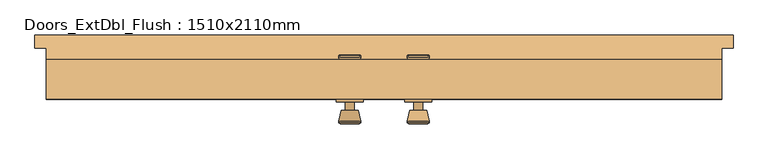
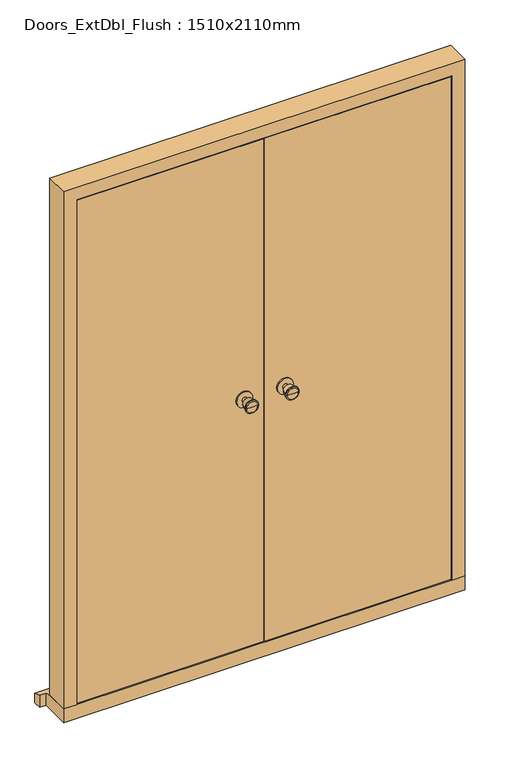
"""IFC4 building model written with IfcOpenShell, lengths in millimetres: door geometry, Doors_ExtDbl_Flush : 1510x2110mm."""

from ifc_helpers import new_model, si_unit, point, frame, frame_2d, origin, place, context, project, spatial, polyline, circle_curve, trimmed, segment, composite_curve, outline, extrude, faceted_brep, source, transform, mapped, element, save
from ifc_brep_helpers import plane_surface, cylinder_surface, revolved_surface, advanced_brep


def doors_extdbl_flush_1510x2110mm_e755490f(model_context):
    return source(origin(), model_context, "Body", "SolidModel", [
        advanced_brep(
        [(-76.5, 25.0, 1050.0), (-66.5, 25.0, 1050.0), (-86.5, 25.0, 1050.0), (-96.9758676, -24.0, 1050.0), (-56.0241324, -24.0, 1050.0), (-76.5, -24.0, 1050.0), (-101.5, -22.1721319, 1050.0), (-51.5, -22.1721319, 1050.0), (-101.5, -18.7084537, 1050.0), (-51.5, -18.7084537, 1050.0), (-95.136236, 6.0, 1050.0), (-57.863764, 6.0, 1050.0), (-86.5, 6.0, 1050.0), (-66.5, 6.0, 1050.0)],
        [
            (0, 1),
            (1, 2, circle_curve(frame((-76.5, 25.0, 1050.0), z_axis=(0.0, 1.0, 0.0), x_axis=(1.0, 0.0, 0.0)), 10.0)),
            (2, 0),
            (2, 1, circle_curve(frame((-76.5, 25.0, 1050.0), z_axis=(0.0, 1.0, 0.0), x_axis=(1.0, 0.0, 0.0)), 10.0)),
            (3, 4, circle_curve(frame((-76.5, -24.0, 1050.0), z_axis=(0.0, -1.0, 0.0), x_axis=(1.0, 0.0, 0.0)), 20.4758676)),
            (4, 5),
            (5, 3),
            (4, 3, circle_curve(frame((-76.5, -24.0, 1050.0), z_axis=(0.0, -1.0, 0.0), x_axis=(1.0, 0.0, 0.0)), 20.4758676)),
            (6, 7, circle_curve(frame((-76.5, -22.1721319, 1050.0), z_axis=(0.0, -1.0, 0.0), x_axis=(1.0, 0.0, 0.0)), 25.0)),
            (7, 4),
            (3, 6),
            (7, 6, circle_curve(frame((-76.5, -22.1721319, 1050.0), z_axis=(0.0, -1.0, 0.0), x_axis=(1.0, 0.0, 0.0)), 25.0)),
            (8, 9, circle_curve(frame((-76.5, -18.7084537, 1050.0), z_axis=(0.0, -1.0, 0.0), x_axis=(1.0, 0.0, 0.0)), 25.0)),
            (9, 7),
            (6, 8),
            (9, 8, circle_curve(frame((-76.5, -18.7084537, 1050.0), z_axis=(0.0, -1.0, 0.0), x_axis=(1.0, 0.0, 0.0)), 25.0)),
            (10, 11, circle_curve(frame((-76.5, 6.0, 1050.0), z_axis=(0.0, -1.0, 0.0), x_axis=(1.0, 0.0, 0.0)), 18.636236)),
            (11, 9),
            (8, 10),
            (11, 10, circle_curve(frame((-76.5, 6.0, 1050.0), z_axis=(0.0, -1.0, 0.0), x_axis=(1.0, 0.0, 0.0)), 18.636236)),
            (12, 13, circle_curve(frame((-76.5, 6.0, 1050.0), z_axis=(0.0, -1.0, 0.0), x_axis=(1.0, 0.0, 0.0)), 10.0)),
            (13, 11),
            (10, 12),
            (13, 12, circle_curve(frame((-76.5, 6.0, 1050.0), z_axis=(0.0, -1.0, 0.0), x_axis=(1.0, 0.0, 0.0)), 10.0)),
            (1, 13),
            (12, 2),
        ],
        [
            plane_surface(frame((-76.5, 25.0, 1050.0), z_axis=(0.0, 1.0, 0.0), x_axis=(1.0, 0.0, 0.0))),
            plane_surface(frame((-76.5, -24.0, 1050.0), z_axis=(0.0, -1.0, 0.0), x_axis=(1.0, 0.0, 0.0))),
            revolved_surface(polyline([(-56.0241324, -24.0, 1050.0), (-51.5, -22.1721319, 1050.0)]), (-76.5, 25.0, 1050.0), (0.0, 1.0, 0.0)),
            cylinder_surface(frame((-76.5, 25.0, 1050.0), z_axis=(0.0, 1.0, 0.0), x_axis=(1.0, 0.0, 0.0)), 25.0),
            revolved_surface(polyline([(-51.5, -18.7084537, 1050.0), (-57.863764, 6.0, 1050.0)]), (-76.5, 25.0, 1050.0), (0.0, 1.0, 0.0)),
            plane_surface(frame((-76.5, 6.0, 1050.0), z_axis=(0.0, 1.0, 0.0), x_axis=(1.0, 0.0, 0.0))),
            cylinder_surface(frame((-76.5, 25.0, 1050.0), z_axis=(0.0, 1.0, 0.0), x_axis=(1.0, 0.0, 0.0)), 10.0),
        ],
        [
            (0, [[1, 2, 3]]),
            (0, [[-3, 4, -1]]),
            (1, [[5, 6, 7]]),
            (1, [[8, -7, -6]]),
            (2, [[9, 10, -5, 11]]),
            (2, [[12, -11, -8, -10]]),
            (3, [[13, 14, -9, 15]]),
            (3, [[16, -15, -12, -14]]),
            (4, [[17, 18, -13, 19]]),
            (4, [[20, -19, -16, -18]]),
            (5, [[21, 22, -17, 23]]),
            (5, [[24, -23, -20, -22]]),
            (6, [[-2, 25, -21, 26]]),
            (6, [[-4, -26, -24, -25]]),
        ],
    ),
        extrude(outline(composite_curve([segment(trimmed(circle_curve(frame_2d((1050.0, -76.5)), 30.0), [point((1050.0, -46.5))], [point((1050.0, -106.5))], False, "CARTESIAN"), True, "CONTINUOUS"), segment(trimmed(circle_curve(frame_2d((1050.0, -76.5)), 30.0), [point((1050.0, -106.5))], [point((1050.0, -46.5))], False, "CARTESIAN"), True, "CONTINUOUS")], self_intersect=False)), frame((0.0, 25.0, 0.0), z_axis=(0.0, 1.0, 0.0), x_axis=(0.0, 0.0, 1.0)), (0.0, 0.0, 1.0), 6.0),
        advanced_brep(
        [(-76.5, 81.0, 1050.0), (-86.5, 81.0, 1050.0), (-66.5, 81.0, 1050.0), (-96.9758676, 130.0, 1050.0), (-76.5, 130.0, 1050.0), (-56.0241324, 130.0, 1050.0), (-101.5, 128.1721319, 1050.0), (-51.5, 128.1721319, 1050.0), (-101.5, 124.7084537, 1050.0), (-51.5, 124.7084537, 1050.0), (-95.136236, 100.0, 1050.0), (-57.863764, 100.0, 1050.0), (-86.5, 100.0, 1050.0), (-66.5, 100.0, 1050.0)],
        [
            (0, 1),
            (1, 2, circle_curve(frame((-76.5, 81.0, 1050.0), z_axis=(0.0, -1.0, 0.0), x_axis=(1.0, 0.0, 0.0)), 10.0)),
            (2, 0),
            (2, 1, circle_curve(frame((-76.5, 81.0, 1050.0), z_axis=(0.0, -1.0, 0.0), x_axis=(1.0, 0.0, 0.0)), 10.0)),
            (3, 4),
            (4, 5),
            (5, 3, circle_curve(frame((-76.5, 130.0, 1050.0), z_axis=(0.0, 1.0, 0.0), x_axis=(1.0, 0.0, 0.0)), 20.4758676)),
            (3, 5, circle_curve(frame((-76.5, 130.0, 1050.0), z_axis=(0.0, 1.0, 0.0), x_axis=(1.0, 0.0, 0.0)), 20.4758676)),
            (6, 3),
            (5, 7),
            (7, 6, circle_curve(frame((-76.5, 128.1721319, 1050.0), z_axis=(0.0, 1.0, 0.0), x_axis=(1.0, 0.0, 0.0)), 25.0)),
            (6, 7, circle_curve(frame((-76.5, 128.1721319, 1050.0), z_axis=(0.0, 1.0, 0.0), x_axis=(1.0, 0.0, 0.0)), 25.0)),
            (8, 6),
            (7, 9),
            (9, 8, circle_curve(frame((-76.5, 124.7084537, 1050.0), z_axis=(0.0, 1.0, 0.0), x_axis=(1.0, 0.0, 0.0)), 25.0)),
            (8, 9, circle_curve(frame((-76.5, 124.7084537, 1050.0), z_axis=(0.0, 1.0, 0.0), x_axis=(1.0, 0.0, 0.0)), 25.0)),
            (10, 8),
            (9, 11),
            (11, 10, circle_curve(frame((-76.5, 100.0, 1050.0), z_axis=(0.0, 1.0, 0.0), x_axis=(1.0, 0.0, 0.0)), 18.636236)),
            (10, 11, circle_curve(frame((-76.5, 100.0, 1050.0), z_axis=(0.0, 1.0, 0.0), x_axis=(1.0, 0.0, 0.0)), 18.636236)),
            (12, 10),
            (11, 13),
            (13, 12, circle_curve(frame((-76.5, 100.0, 1050.0), z_axis=(0.0, 1.0, 0.0), x_axis=(1.0, 0.0, 0.0)), 10.0)),
            (12, 13, circle_curve(frame((-76.5, 100.0, 1050.0), z_axis=(0.0, 1.0, 0.0), x_axis=(1.0, 0.0, 0.0)), 10.0)),
            (1, 12),
            (13, 2),
        ],
        [
            plane_surface(frame((-76.5, 81.0, 1050.0), z_axis=(0.0, -1.0, 0.0), x_axis=(1.0, 0.0, 0.0))),
            plane_surface(frame((-76.5, 130.0, 1050.0), z_axis=(0.0, 1.0, 0.0), x_axis=(1.0, 0.0, 0.0))),
            revolved_surface(polyline([(-56.0241324, 130.0, 1050.0), (-51.5, 128.1721319, 1050.0)]), (-76.5, 81.0, 1050.0), (0.0, -1.0, 0.0)),
            cylinder_surface(frame((-76.5, 81.0, 1050.0), z_axis=(0.0, -1.0, 0.0), x_axis=(1.0, 0.0, 0.0)), 25.0),
            revolved_surface(polyline([(-51.5, 124.7084537, 1050.0), (-57.863764, 100.0, 1050.0)]), (-76.5, 81.0, 1050.0), (0.0, -1.0, 0.0)),
            plane_surface(frame((-76.5, 100.0, 1050.0), z_axis=(0.0, -1.0, 0.0), x_axis=(1.0, 0.0, 0.0))),
            cylinder_surface(frame((-76.5, 81.0, 1050.0), z_axis=(0.0, -1.0, 0.0), x_axis=(1.0, 0.0, 0.0)), 10.0),
        ],
        [
            (0, [[1, 2, 3]]),
            (0, [[-3, 4, -1]]),
            (1, [[5, 6, 7]]),
            (1, [[-6, -5, 8]]),
            (2, [[9, -7, 10, 11]]),
            (2, [[-10, -8, -9, 12]]),
            (3, [[13, -11, 14, 15]]),
            (3, [[-14, -12, -13, 16]]),
            (4, [[17, -15, 18, 19]]),
            (4, [[-18, -16, -17, 20]]),
            (5, [[21, -19, 22, 23]]),
            (5, [[-22, -20, -21, 24]]),
            (6, [[25, -23, 26, -2]]),
            (6, [[-26, -24, -25, -4]]),
        ],
    ),
        extrude(outline(composite_curve([segment(trimmed(circle_curve(frame_2d((1050.0, -76.5)), 30.0), [point((1050.0, -46.5))], [point((1050.0, -106.5))], False, "CARTESIAN"), True, "CONTINUOUS"), segment(trimmed(circle_curve(frame_2d((1050.0, -76.5)), 30.0), [point((1050.0, -106.5))], [point((1050.0, -46.5))], False, "CARTESIAN"), True, "CONTINUOUS")], self_intersect=False)), frame((0.0, 75.0, 0.0), z_axis=(0.0, 1.0, 0.0), x_axis=(0.0, 0.0, 1.0)), (0.0, 0.0, 1.0), 6.0),
        advanced_brep(
        [(76.5, 25.0, 1050.0), (86.5, 25.0, 1050.0), (66.5, 25.0, 1050.0), (96.9758676, -24.0, 1050.0), (76.5, -24.0, 1050.0), (56.0241324, -24.0, 1050.0), (101.5, -22.1721319, 1050.0), (51.5, -22.1721319, 1050.0), (101.5, -18.7084537, 1050.0), (51.5, -18.7084537, 1050.0), (95.136236, 6.0, 1050.0), (57.863764, 6.0, 1050.0), (86.5, 6.0, 1050.0), (66.5, 6.0, 1050.0)],
        [
            (0, 1),
            (1, 2, circle_curve(frame((76.5, 25.0, 1050.0), z_axis=(0.0, 1.0, 0.0), x_axis=(-1.0, 0.0, 0.0)), 10.0)),
            (2, 0),
            (2, 1, circle_curve(frame((76.5, 25.0, 1050.0), z_axis=(0.0, 1.0, 0.0), x_axis=(-1.0, 0.0, 0.0)), 10.0)),
            (3, 4),
            (4, 5),
            (5, 3, circle_curve(frame((76.5, -24.0, 1050.0), z_axis=(0.0, -1.0, 0.0), x_axis=(-1.0, 0.0, 0.0)), 20.4758676)),
            (3, 5, circle_curve(frame((76.5, -24.0, 1050.0), z_axis=(0.0, -1.0, 0.0), x_axis=(-1.0, 0.0, 0.0)), 20.4758676)),
            (6, 3),
            (5, 7),
            (7, 6, circle_curve(frame((76.5, -22.1721319, 1050.0), z_axis=(0.0, -1.0, 0.0), x_axis=(-1.0, 0.0, 0.0)), 25.0)),
            (6, 7, circle_curve(frame((76.5, -22.1721319, 1050.0), z_axis=(0.0, -1.0, 0.0), x_axis=(-1.0, 0.0, 0.0)), 25.0)),
            (8, 6),
            (7, 9),
            (9, 8, circle_curve(frame((76.5, -18.7084537, 1050.0), z_axis=(0.0, -1.0, 0.0), x_axis=(-1.0, 0.0, 0.0)), 25.0)),
            (8, 9, circle_curve(frame((76.5, -18.7084537, 1050.0), z_axis=(0.0, -1.0, 0.0), x_axis=(-1.0, 0.0, 0.0)), 25.0)),
            (10, 8),
            (9, 11),
            (11, 10, circle_curve(frame((76.5, 6.0, 1050.0), z_axis=(0.0, -1.0, 0.0), x_axis=(-1.0, 0.0, 0.0)), 18.636236)),
            (10, 11, circle_curve(frame((76.5, 6.0, 1050.0), z_axis=(0.0, -1.0, 0.0), x_axis=(-1.0, 0.0, 0.0)), 18.636236)),
            (12, 10),
            (11, 13),
            (13, 12, circle_curve(frame((76.5, 6.0, 1050.0), z_axis=(0.0, -1.0, 0.0), x_axis=(-1.0, 0.0, 0.0)), 10.0)),
            (12, 13, circle_curve(frame((76.5, 6.0, 1050.0), z_axis=(0.0, -1.0, 0.0), x_axis=(-1.0, 0.0, 0.0)), 10.0)),
            (1, 12),
            (13, 2),
        ],
        [
            plane_surface(frame((76.5, 25.0, 1050.0), z_axis=(0.0, 1.0, 0.0), x_axis=(-1.0, 0.0, 0.0))),
            plane_surface(frame((76.5, -24.0, 1050.0), z_axis=(0.0, -1.0, 0.0), x_axis=(-1.0, 0.0, 0.0))),
            revolved_surface(polyline([(56.0241324, -24.0, 1050.0), (51.5, -22.1721319, 1050.0)]), (76.5, 25.0, 1050.0), (0.0, 1.0, 0.0)),
            cylinder_surface(frame((76.5, 25.0, 1050.0), z_axis=(0.0, 1.0, 0.0), x_axis=(-1.0, 0.0, 0.0)), 25.0),
            revolved_surface(polyline([(51.5, -18.7084537, 1050.0), (57.863764, 6.0, 1050.0)]), (76.5, 25.0, 1050.0), (0.0, 1.0, 0.0)),
            plane_surface(frame((76.5, 6.0, 1050.0), z_axis=(0.0, 1.0, 0.0), x_axis=(-1.0, 0.0, 0.0))),
            cylinder_surface(frame((76.5, 25.0, 1050.0), z_axis=(0.0, 1.0, 0.0), x_axis=(-1.0, 0.0, 0.0)), 10.0),
        ],
        [
            (0, [[1, 2, 3]]),
            (0, [[-3, 4, -1]]),
            (1, [[5, 6, 7]]),
            (1, [[-6, -5, 8]]),
            (2, [[9, -7, 10, 11]]),
            (2, [[-10, -8, -9, 12]]),
            (3, [[13, -11, 14, 15]]),
            (3, [[-14, -12, -13, 16]]),
            (4, [[17, -15, 18, 19]]),
            (4, [[-18, -16, -17, 20]]),
            (5, [[21, -19, 22, 23]]),
            (5, [[-22, -20, -21, 24]]),
            (6, [[25, -23, 26, -2]]),
            (6, [[-26, -24, -25, -4]]),
        ],
    ),
        extrude(outline(composite_curve([segment(trimmed(circle_curve(frame_2d((1050.0, 76.5)), 30.0), [point((1050.0, 46.5))], [point((1050.0, 106.5))], False, "CARTESIAN"), True, "CONTINUOUS"), segment(trimmed(circle_curve(frame_2d((1050.0, 76.5)), 30.0), [point((1050.0, 106.5))], [point((1050.0, 46.5))], False, "CARTESIAN"), True, "CONTINUOUS")], self_intersect=False)), frame((0.0, 25.0, 0.0), z_axis=(0.0, 1.0, 0.0), x_axis=(0.0, 0.0, 1.0)), (0.0, 0.0, 1.0), 6.0),
        advanced_brep(
        [(76.5, 81.0, 1050.0), (66.5, 81.0, 1050.0), (86.5, 81.0, 1050.0), (96.9758676, 130.0, 1050.0), (56.0241324, 130.0, 1050.0), (76.5, 130.0, 1050.0), (101.5, 128.1721319, 1050.0), (51.5, 128.1721319, 1050.0), (101.5, 124.7084537, 1050.0), (51.5, 124.7084537, 1050.0), (95.136236, 100.0, 1050.0), (57.863764, 100.0, 1050.0), (86.5, 100.0, 1050.0), (66.5, 100.0, 1050.0)],
        [
            (0, 1),
            (1, 2, circle_curve(frame((76.5, 81.0, 1050.0), z_axis=(0.0, -1.0, 0.0), x_axis=(-1.0, 0.0, 0.0)), 10.0)),
            (2, 0),
            (2, 1, circle_curve(frame((76.5, 81.0, 1050.0), z_axis=(0.0, -1.0, 0.0), x_axis=(-1.0, 0.0, 0.0)), 10.0)),
            (3, 4, circle_curve(frame((76.5, 130.0, 1050.0), z_axis=(0.0, 1.0, 0.0), x_axis=(-1.0, 0.0, 0.0)), 20.4758676)),
            (4, 5),
            (5, 3),
            (4, 3, circle_curve(frame((76.5, 130.0, 1050.0), z_axis=(0.0, 1.0, 0.0), x_axis=(-1.0, 0.0, 0.0)), 20.4758676)),
            (6, 7, circle_curve(frame((76.5, 128.1721319, 1050.0), z_axis=(0.0, 1.0, 0.0), x_axis=(-1.0, 0.0, 0.0)), 25.0)),
            (7, 4),
            (3, 6),
            (7, 6, circle_curve(frame((76.5, 128.1721319, 1050.0), z_axis=(0.0, 1.0, 0.0), x_axis=(-1.0, 0.0, 0.0)), 25.0)),
            (8, 9, circle_curve(frame((76.5, 124.7084537, 1050.0), z_axis=(0.0, 1.0, 0.0), x_axis=(-1.0, 0.0, 0.0)), 25.0)),
            (9, 7),
            (6, 8),
            (9, 8, circle_curve(frame((76.5, 124.7084537, 1050.0), z_axis=(0.0, 1.0, 0.0), x_axis=(-1.0, 0.0, 0.0)), 25.0)),
            (10, 11, circle_curve(frame((76.5, 100.0, 1050.0), z_axis=(0.0, 1.0, 0.0), x_axis=(-1.0, 0.0, 0.0)), 18.636236)),
            (11, 9),
            (8, 10),
            (11, 10, circle_curve(frame((76.5, 100.0, 1050.0), z_axis=(0.0, 1.0, 0.0), x_axis=(-1.0, 0.0, 0.0)), 18.636236)),
            (12, 13, circle_curve(frame((76.5, 100.0, 1050.0), z_axis=(0.0, 1.0, 0.0), x_axis=(-1.0, 0.0, 0.0)), 10.0)),
            (13, 11),
            (10, 12),
            (13, 12, circle_curve(frame((76.5, 100.0, 1050.0), z_axis=(0.0, 1.0, 0.0), x_axis=(-1.0, 0.0, 0.0)), 10.0)),
            (1, 13),
            (12, 2),
        ],
        [
            plane_surface(frame((76.5, 81.0, 1050.0), z_axis=(0.0, -1.0, 0.0), x_axis=(-1.0, 0.0, 0.0))),
            plane_surface(frame((76.5, 130.0, 1050.0), z_axis=(0.0, 1.0, 0.0), x_axis=(-1.0, 0.0, 0.0))),
            revolved_surface(polyline([(56.0241324, 130.0, 1050.0), (51.5, 128.1721319, 1050.0)]), (76.5, 81.0, 1050.0), (0.0, -1.0, 0.0)),
            cylinder_surface(frame((76.5, 81.0, 1050.0), z_axis=(0.0, -1.0, 0.0), x_axis=(-1.0, 0.0, 0.0)), 25.0),
            revolved_surface(polyline([(51.5, 124.7084537, 1050.0), (57.863764, 100.0, 1050.0)]), (76.5, 81.0, 1050.0), (0.0, -1.0, 0.0)),
            plane_surface(frame((76.5, 100.0, 1050.0), z_axis=(0.0, -1.0, 0.0), x_axis=(-1.0, 0.0, 0.0))),
            cylinder_surface(frame((76.5, 81.0, 1050.0), z_axis=(0.0, -1.0, 0.0), x_axis=(-1.0, 0.0, 0.0)), 10.0),
        ],
        [
            (0, [[1, 2, 3]]),
            (0, [[-3, 4, -1]]),
            (1, [[5, 6, 7]]),
            (1, [[8, -7, -6]]),
            (2, [[9, 10, -5, 11]]),
            (2, [[12, -11, -8, -10]]),
            (3, [[13, 14, -9, 15]]),
            (3, [[16, -15, -12, -14]]),
            (4, [[17, 18, -13, 19]]),
            (4, [[20, -19, -16, -18]]),
            (5, [[21, 22, -17, 23]]),
            (5, [[24, -23, -20, -22]]),
            (6, [[-2, 25, -21, 26]]),
            (6, [[-4, -26, -24, -25]]),
        ],
    ),
        extrude(outline(composite_curve([segment(trimmed(circle_curve(frame_2d((1050.0, 76.5)), 30.0), [point((1050.0, 46.5))], [point((1050.0, 106.5))], False, "CARTESIAN"), True, "CONTINUOUS"), segment(trimmed(circle_curve(frame_2d((1050.0, 76.5)), 30.0), [point((1050.0, 106.5))], [point((1050.0, 46.5))], False, "CARTESIAN"), True, "CONTINUOUS")], self_intersect=False)), frame((0.0, 75.0, 0.0), z_axis=(0.0, 1.0, 0.0), x_axis=(0.0, 0.0, 1.0)), (0.0, 0.0, 1.0), 6.0),
        faceted_brep([(684.5, 120.0, 54.5), (755.0, 120.0, 54.5), (755.0, 31.0, 54.5), (706.5, 31.0, 54.5), (706.5, 78.0, 54.5), (684.5, 78.0, 54.5), (684.5, 120.0, 2039.5), (-684.5, 120.0, 2039.5), (-684.5, 120.0, 54.5), (-755.0, 120.0, 54.5), (-755.0, 120.0, 2110.0), (755.0, 120.0, 2110.0), (755.0, 31.0, 2110.0), (-755.0, 31.0, 2110.0), (-755.0, 31.0, 54.5), (-706.5, 31.0, 54.5), (-706.5, 31.0, 2061.5), (706.5, 31.0, 2061.5), (706.5, 78.0, 2061.5), (-706.5, 78.0, 2061.5), (-706.5, 78.0, 54.5), (-684.5, 78.0, 54.5), (-684.5, 78.0, 2039.5), (684.5, 78.0, 2039.5)], [[[0, 1, 2, 3, 4, 5]], [[1, 0, 6, 7, 8, 9, 10, 11]], [[2, 1, 11, 12]], [[3, 2, 12, 13, 14, 15, 16, 17]], [[4, 3, 17, 18]], [[5, 4, 18, 19, 20, 21, 22, 23]], [[0, 5, 23, 6]], [[12, 11, 10, 13]], [[18, 17, 16, 19]], [[6, 23, 22, 7]], [[8, 21, 20, 15, 14, 9]], [[13, 10, 9, 14]], [[19, 16, 15, 20]], [[7, 22, 21, 8]]]),
        faceted_brep([(780.0, 175.0, 0.0), (780.0, 175.0, 38.5947221), (780.0, 145.0, 47.2703282), (780.0, 145.0, 0.0), (-780.0, 175.0, 38.5947221), (-780.0, 175.0, 0.0), (-780.0, 145.0, 0.0), (-780.0, 145.0, 47.2703282), (755.0, 145.0, 0.0), (755.0, 31.0, 0.0), (-755.0, 31.0, 0.0), (-755.0, 145.0, 0.0), (-755.0, 145.0, 47.2703282), (-755.0, 120.0, 54.5), (755.0, 120.0, 54.5), (755.0, 145.0, 47.2703282), (-755.0, 31.0, 54.5), (755.0, 31.0, 54.5)], [[[0, 1, 2, 3]], [[4, 5, 6, 7]], [[5, 0, 3, 8, 9, 10, 11, 6]], [[1, 0, 5, 4]], [[1, 4, 7, 12, 13, 14, 15, 2]], [[13, 16, 17, 14]], [[16, 10, 9, 17]], [[12, 11, 10, 16, 13]], [[11, 12, 7, 6]], [[8, 15, 14, 17, 9]], [[15, 8, 3, 2]]]),
        extrude(outline(polyline([(703.5, 31.0), (1.5, 31.0), (1.5, 75.0), (703.5, 75.0), (703.5, 31.0)])), frame((0.0, 0.0, 58.5), z_axis=(0.0, 0.0, 1.0), x_axis=(1.0, 0.0, 0.0)), (0.0, 0.0, 1.0), 2000.0),
        extrude(outline(polyline([(-1.5, 31.0), (-703.5, 31.0), (-703.5, 75.0), (-1.5, 75.0), (-1.5, 31.0)])), frame((0.0, 0.0, 58.5), z_axis=(0.0, 0.0, 1.0), x_axis=(1.0, 0.0, 0.0)), (0.0, 0.0, 1.0), 2000.0),
    ])


if __name__ == "__main__":
    model = new_model("IFC4")
    model_context = context("Model", 3, world=origin())
    ifc_project = project(units=[si_unit("LENGTHUNIT", "METRE", prefix="MILLI")], contexts=[model_context])
    site = spatial("IfcSite", under=ifc_project)
    building = spatial("IfcBuilding", under=site)
    placement = place(None, origin())
    doors_extdbl_flush_1510x2110mm_shape = doors_extdbl_flush_1510x2110mm_e755490f(model_context)
    element("IfcDoor", 1, ObjectType="Doors_ExtDbl_Flush : 1510x2110mm", at=placement, inside=building, context=model_context, shape_type="MappedRepresentation", body=[
        mapped(doors_extdbl_flush_1510x2110mm_shape, transform((0.0, 0.0, 0.0), x_axis=(1.0, 0.0, 0.0), y_axis=(0.0, 1.0, 0.0), z_axis=(0.0, 0.0, 1.0))),
    ])
    save(model, "model.ifc")
